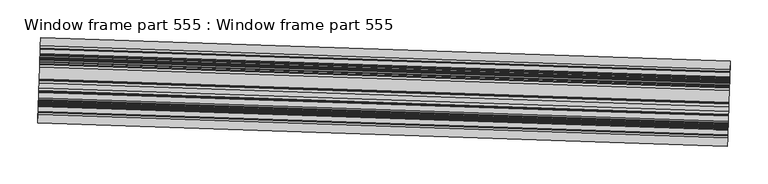
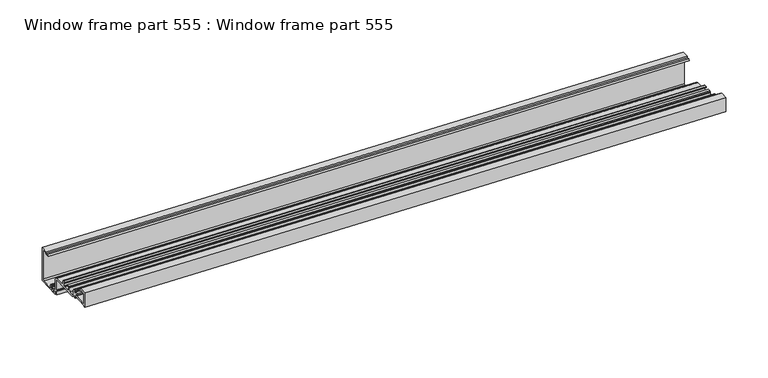
"""IFC4 building model written with IfcOpenShell, lengths in millimetres: proxy geometry, Window frame part 555 : Window frame part 555."""

from ifc_helpers import new_model, si_unit, frame, origin, place, context, project, spatial, polyline, outline, extrude, source, transform, mapped, element, save


def window_frame_part_555_window_frame_part_555_406fde81(model_context):
    return source(origin(), model_context, "Body", "SweptSolid", [
        extrude(outline(polyline([(-2.3315204, 0.0), (0.2482601, 0.0), (-0.4506613, -1.7736714), (24.4413847, 1.9433197), (25.4461816, 3.3000436), (24.0884735, 4.3043408), (22.1293443, 4.0117949), (21.8967153, 5.5696712), (26.5792477, 6.2688878), (29.9291006, 8.3613632), (70.3420771, 14.3960089), (72.0085615, 15.3970531), (72.4790989, 17.2832806), (70.3558916, 31.5020317), (69.6323238, 32.0488661), (68.785357, 31.3573976), (67.687812, 32.1692518), (66.9300366, 37.2439419), (68.0862438, 37.9302168), (67.9801895, 37.0925759), (68.122737, 36.1379602), (69.620486, 33.3311795), (70.6743315, 33.4885444), (72.2170899, 35.8838766), (71.2196027, 37.5762995), (71.7402336, 40.2864086), (105.2402054, 45.2887736), (112.7427042, -4.9541614), (101.9102557, -6.5717108), (101.6101557, -4.5619934), (98.8970372, -4.9671284), (97.0389509, -3.1900564), (101.7622422, -2.4847535), (102.9317032, -2.7764867), (103.619873, -4.2618935), (108.9255988, -3.4696189), (110.2083184, -1.737631), (103.7561036, 41.471734), (102.0231125, 42.7536279), (84.3571438, 40.1156668), (84.0277732, 39.2857379), (84.8512631, 36.7309747), (83.9557769, 34.2005487), (82.8512995, 34.0356232), (82.3356189, 35.0533078), (83.0472225, 37.1466736), (80.303721, 39.1760419), (78.273342, 36.4345303), (79.6873616, 34.3202811), (79.3703667, 33.5158349), (78.2658893, 33.3509094), (76.6702409, 35.509348), (76.7114721, 38.1932352), (76.1539854, 38.89096), (73.9482957, 38.0481144), (74.2266603, 36.1839546), (73.7318726, 34.2027044), (72.3353825, 32.0045377), (74.526332, 17.3321286), (73.726413, 14.1255787), (70.8934115, 12.4236567), (54.7650702, 9.5018188), (55.5340764, 4.3519179), (55.2047002, 3.0315586), (54.0381611, 2.3308278), (50.4960341, 1.8019016), (50.2503273, 3.4473577), (51.4640509, 3.2305875), (53.79444, 3.9637396), (52.5547205, 9.6853919), (50.2253198, 8.946016), (49.3894156, 9.2127345), (43.1671931, 7.8855394), (41.9534695, 8.1023096), (39.6230804, 7.3691575), (40.8627999, 1.6475052), (43.1922003, 2.3868811), (43.9699605, 2.5095454), (44.2156673, 0.8640892), (40.6735404, 0.3351631), (39.353181, 0.6645392), (38.652597, 1.8311003), (37.3059897, 7.4083835), (30.0533502, 6.3253871), (27.9702446, 5.0740819), (27.382073, 2.7162975), (28.1360742, -2.3331176), (27.2861258, -5.54183), (26.1816484, -5.7067555), (25.6659678, -4.689071), (26.3781649, -2.5949028), (23.6354654, -0.5661285), (21.6044929, -3.3084425), (23.0177104, -5.4220976), (22.7007156, -6.2265439), (21.5962382, -6.3914694), (19.9966604, -4.2207249), (20.0505446, -1.5248247), (19.4979178, -0.8496158), (1.7859382, -3.4944474), (0.5030312, -5.2266887), (2.3862243, -17.8381063), (4.1189621, -19.1198127), (9.3463242, -17.8765047), (10.6718011, -16.0867839), (15.4626828, -15.8341231), (14.1372059, -17.6238439), (11.4240874, -18.0289788), (11.7241874, -20.0386962), (0.9020566, -21.654705), (-2.3315204, 0.0)])), frame((34352.2970226, -15537.0518273, 2865.4752431), z_axis=(-0.9994149479161264, 0.0342017818513348, 0.0), x_axis=(0.03382673032324971, 0.9884555158889791, 0.14768698461371094)), (0.0, 0.0, 1.0), 914.4),
    ])


if __name__ == "__main__":
    model = new_model("IFC4")
    model_context = context("Model", 3, world=origin())
    ifc_project = project(units=[si_unit("LENGTHUNIT", "METRE", prefix="MILLI")], contexts=[model_context])
    site = spatial("IfcSite", under=ifc_project)
    building = spatial("IfcBuilding", under=site)
    placement = place(None, origin())
    window_frame_part_555_window_frame_part_555_shape = window_frame_part_555_window_frame_part_555_406fde81(model_context)
    element("IfcBuildingElementProxy", 1, Name="Window frame part 555 : Window frame part 555", ObjectType="Window frame part 555 : Window frame part 555", at=placement, inside=building, context=model_context, shape_type="MappedRepresentation", body=[
        mapped(window_frame_part_555_window_frame_part_555_shape, transform((0.0, 0.0, 0.0), x_axis=(1.0, 0.0, 0.0), y_axis=(0.0, 1.0, 0.0), z_axis=(0.0, 0.0, 1.0))),
    ])
    save(model, "model.ifc")
